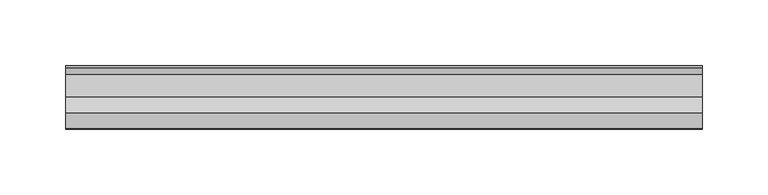
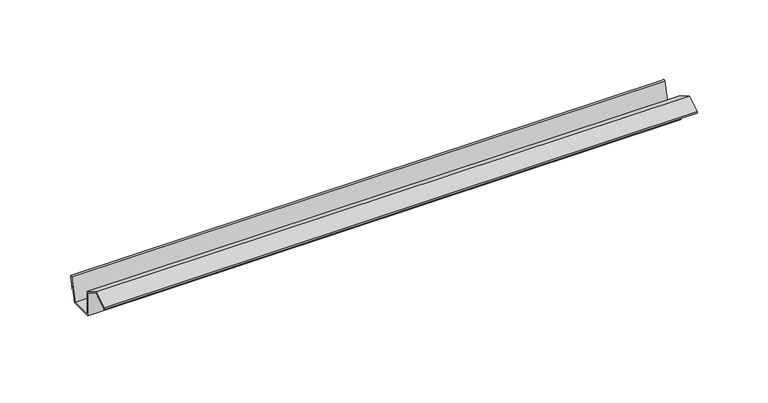
"""IFC4 building model written with IfcOpenShell, lengths in millimetres: proxy geometry."""

import ifcopenshell
import ifcopenshell.guid

model = None  # the IFC model being written
_history = None  # IfcOwnerHistory: only IFC2X3 demands one
_inside = {}  # id of a spatial element -> (the spatial element, [elements in it])
_under = {}  # id of a project, library or spatial element -> (it, [spatial elements below it])
_declared = {}  # id of a project -> (the project, [libraries it declares])
_typed = {}  # id of a type object -> (the type object, [elements of that type])
_made_of = {}  # id of a material, layer set ... -> (it, [elements and type objects made of it])


def new_model(schema):
    """Start an empty IFC model of exactly this schema.

    Asked for "IFC4X3", IfcOpenShell would pick the latest addendum, in which some entities
    have other attributes; the version numbers below select the first issue.
    IFC2X3 requires an IfcOwnerHistory on every rooted entity: one is made here for all.
    """
    global model, _history
    if schema == "IFC4X3":
        model = ifcopenshell.file(schema_version=(4, 3, 0, 0))
    else:
        model = ifcopenshell.file(schema=schema)
    _inside.clear()
    _under.clear()
    _declared.clear()
    _typed.clear()
    _made_of.clear()
    _history = None
    if model.schema == "IFC2X3":
        org = make("IfcOrganization", Name="unknown")
        user = make(
            "IfcPersonAndOrganization",
            ThePerson=make("IfcPerson", FamilyName="unknown"),
            TheOrganization=org,
        )
        app = make(
            "IfcApplication",
            ApplicationDeveloper=org,
            Version="unknown",
            ApplicationFullName="unknown",
            ApplicationIdentifier="unknown",
        )
        _history = make(
            "IfcOwnerHistory",
            OwningUser=user,
            OwningApplication=app,
            ChangeAction="ADDED",
            CreationDate=0,
        )
    return model


def make(cls, **values):
    """One entity of the class cls with the attributes given. An attribute that is None is left unset."""
    return model.create_entity(
        cls, **{name: value for name, value in values.items() if value is not None}
    )


def rooted(cls, **values):
    """An entity with a GlobalId (a new one), such as an element, a storey or a relation."""
    return make(cls, GlobalId=ifcopenshell.guid.new(), OwnerHistory=_history, **values)


def si_unit(unit_type, name, prefix=None):
    """IfcSIUnit, for example si_unit("LENGTHUNIT", "METRE", prefix="MILLI")."""
    return make("IfcSIUnit", UnitType=unit_type, Prefix=prefix, Name=name)


def assignment(units):
    """IfcUnitAssignment: the units of a project."""
    return None if units is None else make("IfcUnitAssignment", Units=units)


def point(xyz):
    """IfcCartesianPoint."""
    return None if xyz is None else make("IfcCartesianPoint", Coordinates=xyz)


def direction(xyz):
    """IfcDirection."""
    return None if xyz is None else make("IfcDirection", DirectionRatios=xyz)


def frame(location, z_axis=None, x_axis=None):
    """IfcAxis2Placement3D, a coordinate frame: its origin and axes. An axis left out is left unset."""
    return make(
        "IfcAxis2Placement3D",
        Location=point(location),
        Axis=direction(z_axis),
        RefDirection=direction(x_axis),
    )


def frame_2d(location, x_axis=None):
    """IfcAxis2Placement2D, a coordinate frame in the plane: its origin and x axis."""
    return make(
        "IfcAxis2Placement2D", Location=point(location), RefDirection=direction(x_axis)
    )


def origin():
    """The frame at (0, 0, 0) with its axes left unset."""
    return frame((0.0, 0.0, 0.0))


def place(relative_to, where):
    """IfcLocalPlacement: puts the frame where relative to a parent placement (None: the world)."""
    return make(
        "IfcLocalPlacement", PlacementRelTo=relative_to, RelativePlacement=where
    )


def context(
    kind, dimensions, precision=None, world=None, true_north=None, identifier=None
):
    """IfcGeometricRepresentationContext, for example the 3D "Model" context."""
    return make(
        "IfcGeometricRepresentationContext",
        ContextIdentifier=identifier,
        ContextType=kind,
        CoordinateSpaceDimension=dimensions,
        Precision=precision,
        WorldCoordinateSystem=world,
        TrueNorth=true_north,
    )


def project(units=None, contexts=None):
    """IfcProject with its units and contexts."""
    return rooted(
        "IfcProject",
        Name="project",
        RepresentationContexts=contexts,
        UnitsInContext=assignment(units),
    )


def spatial(cls, under=None, at=None, **own):
    """A site, building, storey or space (cls), placed at a placement, below another one or the project."""
    s = rooted(cls, ObjectPlacement=at, **own)
    if under is not None:
        _under.setdefault(under.id(), (under, []))[1].append(s)
    return s


def polyline(points):
    """IfcPolyline through the points."""
    return make("IfcPolyline", Points=[point(p) for p in points])


def circle_curve(where, radius):
    """IfcCircle in the frame where."""
    return make("IfcCircle", Position=where, Radius=radius)


def trimmed(basis, trim1, trim2, sense, master):
    """IfcTrimmedCurve: the piece of a basis curve between two trims."""
    return make(
        "IfcTrimmedCurve",
        BasisCurve=basis,
        Trim1=trim1,
        Trim2=trim2,
        SenseAgreement=sense,
        MasterRepresentation=master,
    )


def segment(curve, same_sense, transition):
    """IfcCompositeCurveSegment."""
    return make(
        "IfcCompositeCurveSegment",
        Transition=transition,
        SameSense=same_sense,
        ParentCurve=curve,
    )


def composite_curve(segments, self_intersect=None):
    """IfcCompositeCurve: segments joined end to end."""
    return make("IfcCompositeCurve", Segments=segments, SelfIntersect=self_intersect)


def outline(outer, holes=None, kind="AREA"):
    """IfcArbitraryClosedProfileDef: a profile drawn as a closed curve; with holes, ...WithVoids."""
    if holes is None:
        return make("IfcArbitraryClosedProfileDef", ProfileType=kind, OuterCurve=outer)
    return make(
        "IfcArbitraryProfileDefWithVoids",
        ProfileType=kind,
        OuterCurve=outer,
        InnerCurves=holes,
    )


def extrude(swept, where, along, depth):
    """IfcExtrudedAreaSolid: the profile swept, set in the frame where, extruded along a direction by depth."""
    return make(
        "IfcExtrudedAreaSolid",
        SweptArea=swept,
        Position=where,
        ExtrudedDirection=direction(along),
        Depth=depth,
    )


def shape(context_of_items, identifier, shape_type, items):
    """IfcShapeRepresentation: the items that make up one representation, for example the "Body"."""
    return make(
        "IfcShapeRepresentation",
        ContextOfItems=context_of_items,
        RepresentationIdentifier=identifier,
        RepresentationType=shape_type,
        Items=items,
    )


def source(mapping_origin, context_of_items, identifier, shape_type, items):
    """IfcRepresentationMap: a shape defined once, which mapped items show again and again."""
    return make(
        "IfcRepresentationMap",
        MappingOrigin=mapping_origin,
        MappedRepresentation=shape(context_of_items, identifier, shape_type, items),
    )


def transform(
    local_origin,
    x_axis=None,
    y_axis=None,
    z_axis=None,
    scale=None,
    scale2=None,
    scale3=None,
    uniform=True,
):
    """IfcCartesianTransformationOperator3D, or its non-uniform kind. x_axis, y_axis, z_axis: its Axis1, 2, 3."""
    if uniform:
        return make(
            "IfcCartesianTransformationOperator3D",
            Axis1=direction(x_axis),
            Axis2=direction(y_axis),
            LocalOrigin=point(local_origin),
            Scale=scale,
            Axis3=direction(z_axis),
        )
    return make(
        "IfcCartesianTransformationOperator3DnonUniform",
        Axis1=direction(x_axis),
        Axis2=direction(y_axis),
        LocalOrigin=point(local_origin),
        Scale=scale,
        Axis3=direction(z_axis),
        Scale2=scale2,
        Scale3=scale3,
    )


def mapped(mapping_source, mapping_target):
    """IfcMappedItem: shows the shape of a source again, moved by a transform."""
    return make(
        "IfcMappedItem", MappingSource=mapping_source, MappingTarget=mapping_target
    )


def made_of(thing, what):
    """Note that an element or type object is made of a material, layer set ...; save() writes the relation."""
    if what is not None:
        _made_of.setdefault(what.id(), (what, []))[1].append(thing)
    return thing


def element(
    cls,
    number,
    at=None,
    inside=None,
    cuts=None,
    type_object=None,
    material=None,
    context=None,
    identifier="Body",
    shape_type=None,
    held_by="IfcProductDefinitionShape",
    body=None,
    shapes=None,
    **own,
):
    """One element of the class cls, such as IfcWall. Its Tag is "e" and its number.

    at: its placement. inside: the storey or other place that contains it. cuts: it is an
    opening in that element (IfcRelVoidsElement). A single representation is given by context,
    identifier, shape_type and body (its items); several are given by shapes. held_by: the class
    of the entity that holds the representations. save() writes the other relations.
    """
    e = rooted(cls, Tag="e%d" % number, ObjectPlacement=at, **own)
    if body is not None:
        shapes = [shape(context, identifier, shape_type, body)]
    if shapes is not None:
        e.Representation = make(held_by, Representations=shapes)
    if inside is not None:
        _inside.setdefault(inside.id(), (inside, []))[1].append(e)
    if cuts is not None:
        rooted(
            "IfcRelVoidsElement", RelatingBuildingElement=cuts, RelatedOpeningElement=e
        )
    if type_object is not None:
        _typed.setdefault(type_object.id(), (type_object, []))[1].append(e)
    return made_of(e, material)


def aggregate(whole, parts):
    """IfcRelAggregates: a whole, such as a stair, and the parts it consists of."""
    return rooted("IfcRelAggregates", RelatingObject=whole, RelatedObjects=parts)


def save(model, path):
    """Write the relations noted so far, then the file.

    IfcRelAggregates (storeys below a building ...), IfcRelContainedInSpatialStructure (elements
    in a storey), IfcRelDefinesByType, IfcRelAssociatesMaterial and IfcRelDeclares: one each for
    every whole, place, type object, material and project.
    """
    for whole, parts in _under.values():
        aggregate(whole, parts)
    for where, things in _inside.values():
        rooted(
            "IfcRelContainedInSpatialStructure",
            RelatedElements=things,
            RelatingStructure=where,
        )
    for kind, things in _typed.values():
        rooted("IfcRelDefinesByType", RelatedObjects=things, RelatingType=kind)
    for what, things in _made_of.values():
        rooted("IfcRelAssociatesMaterial", RelatedObjects=things, RelatingMaterial=what)
    for by, libraries in _declared.values():
        rooted("IfcRelDeclares", RelatingContext=by, RelatedDefinitions=libraries)
    model.write(path)


def generic_models_377e1b88(model_context):
    return source(origin(), model_context, "Body", "SweptSolid", [
        extrude(outline(composite_curve([segment(trimmed(circle_curve(frame_2d((47.4526454, 19.4206999)), 0.8779344), [point((46.604626, 19.647926))], [point((48.3006649, 19.1934738))], False, "CARTESIAN"), True, "CONTINUOUS"), segment(polyline([(48.3006649, 19.1934738), (45.7124745, 9.5342155), (44.9366743, 9.7290909), (47.3592919, 19.3735454), (42.1681661, 0.0), (23.611208, 0.0), (23.611208, 20.0267949), (11.823474, 26.8324463), (0.8374967, 20.3195408), (9.4977507, 25.3195408), (9.8977507, 24.6267205), (1.2374967, 19.6267205)]), True, "CONTINUOUS"), segment(trimmed(circle_curve(frame_2d((0.8249967, 20.3411915)), 0.825), [point((1.2374967, 19.6267205))], [point((0.4124967, 21.0556624))], False, "CARTESIAN"), True, "CONTINUOUS"), segment(polyline([(0.4124967, 21.0556624), (11.9208269, 27.7), (24.3908409, 20.5004341), (24.3908409, 0.7), (41.5275445, 0.7), (46.604626, 19.647926)]), True, "CONTINUOUS")], self_intersect=False)), frame((0.0, 0.0, 0.0), z_axis=(1.0, 0.0, 0.0), x_axis=(0.0, 1.0, 0.0)), (0.0, 0.0, 1.0), 485.1477558),
    ])


if __name__ == "__main__":
    model = new_model("IFC4")
    model_context = context("Model", 3, world=origin())
    ifc_project = project(units=[si_unit("LENGTHUNIT", "METRE", prefix="MILLI")], contexts=[model_context])
    site = spatial("IfcSite", under=ifc_project)
    building = spatial("IfcBuilding", under=site)
    placement = place(None, origin())
    generic_models_shape = generic_models_377e1b88(model_context)
    element("IfcBuildingElementProxy", 1, Name="Generic Models", at=placement, inside=building, context=model_context, shape_type="MappedRepresentation", body=[
        mapped(generic_models_shape, transform((0.0, 0.0, 0.0), x_axis=(1.0, 0.0, 0.0), y_axis=(0.0, 1.0, 0.0), z_axis=(0.0, 0.0, 1.0))),
    ])
    save(model, "model.ifc")
